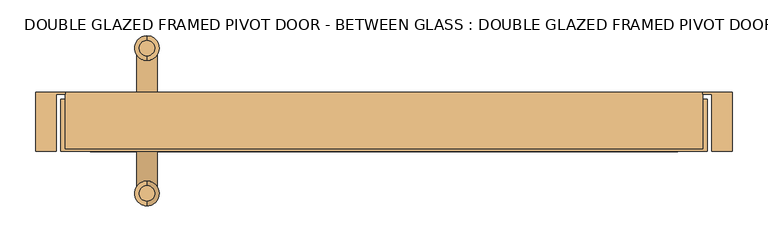
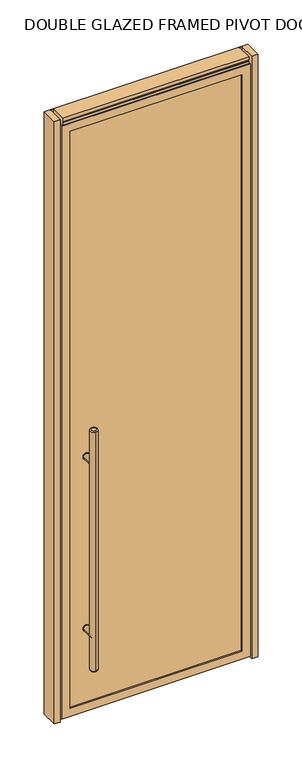
"""IFC4 building model written with IfcOpenShell, lengths in millimetres: door geometry, DOUBLE GLAZED FRAMED PIVOT DOOR - BETWEEN GLASS : DOUBLE GLAZED FRAMED PIVOT DOOR - BETWEEN GLASS."""

from ifc_helpers import new_model, si_unit, point, frame, frame_2d, origin, origin_with_axes, place, context, project, spatial, polyline, circle_curve, ellipse_curve, trimmed, segment, composite_curve, outline, extrude, faceted_brep, source, transform, mapped, element, save
from ifc_brep_helpers import plane_surface, cylinder_surface, revolved_surface, advanced_brep


def double_glazed_framed_pivot_door_between_glass_double_glazed_25d5e734(model_context):
    return source(origin(), model_context, "Body", "SolidModel", [
        extrude(outline(composite_curve([segment(trimmed(circle_curve(frame_2d((428.625, -331.7875)), 15.875), [point((428.625, -347.6625))], [point((428.625, -315.9125))], False, "CARTESIAN"), True, "CONTINUOUS"), segment(trimmed(circle_curve(frame_2d((428.625, -331.7875)), 15.875), [point((428.625, -315.9125))], [point((428.625, -347.6625))], False, "CARTESIAN"), True, "CONTINUOUS")], self_intersect=False)), frame((0.0, 6.35, 0.0), z_axis=(0.0, 1.0, 0.0), x_axis=(0.0, 0.0, 1.0)), (0.0, 0.0, 1.0), 3.175),
        extrude(outline(composite_curve([segment(trimmed(circle_curve(frame_2d((1298.575, -331.7875)), 15.875), [point((1298.575, -315.9125))], [point((1298.575, -347.6625))], False, "CARTESIAN"), True, "CONTINUOUS"), segment(trimmed(circle_curve(frame_2d((1298.575, -331.7875)), 15.875), [point((1298.575, -347.6625))], [point((1298.575, -315.9125))], False, "CARTESIAN"), True, "CONTINUOUS")], self_intersect=False)), frame((0.0, 6.35, 0.0), z_axis=(0.0, 1.0, 0.0), x_axis=(0.0, 0.0, 1.0)), (0.0, 0.0, 1.0), 3.175),
        extrude(outline(composite_curve([segment(trimmed(circle_curve(frame_2d((428.625, -331.7875)), 15.875), [point((428.625, -347.6625))], [point((428.625, -315.9125))], False, "CARTESIAN"), True, "CONTINUOUS"), segment(trimmed(circle_curve(frame_2d((428.625, -331.7875)), 15.875), [point((428.625, -315.9125))], [point((428.625, -347.6625))], False, "CARTESIAN"), True, "CONTINUOUS")], self_intersect=False)), frame((0.0, -69.85, 0.0), z_axis=(0.0, 1.0, 0.0), x_axis=(0.0, 0.0, 1.0)), (0.0, 0.0, 1.0), 3.175),
        extrude(outline(composite_curve([segment(trimmed(circle_curve(frame_2d((1298.575, -331.7875)), 15.875), [point((1298.575, -347.6625))], [point((1298.575, -315.9125))], False, "CARTESIAN"), True, "CONTINUOUS"), segment(trimmed(circle_curve(frame_2d((1298.575, -331.7875)), 15.875), [point((1298.575, -315.9125))], [point((1298.575, -347.6625))], False, "CARTESIAN"), True, "CONTINUOUS")], self_intersect=False)), frame((0.0, -69.85, 0.0), z_axis=(0.0, 1.0, 0.0), x_axis=(0.0, 0.0, 1.0)), (0.0, 0.0, 1.0), 3.175),
        extrude(outline(composite_curve([segment(trimmed(circle_curve(frame_2d((428.625, -331.7875)), 14.2875), [point((428.625, -317.5))], [point((428.625, -346.075))], False, "CARTESIAN"), True, "CONTINUOUS"), segment(trimmed(circle_curve(frame_2d((428.625, -331.7875)), 14.2875), [point((428.625, -346.075))], [point((428.625, -317.5))], False, "CARTESIAN"), True, "CONTINUOUS")], self_intersect=False)), frame((0.0, -131.7625, 0.0), z_axis=(0.0, 1.0, 0.0), x_axis=(0.0, 0.0, 1.0)), (0.0, 0.0, 1.0), 65.0875),
        extrude(outline(composite_curve([segment(trimmed(circle_curve(frame_2d((1298.575, -331.7875)), 14.2875), [point((1298.575, -317.5))], [point((1298.575, -346.075))], False, "CARTESIAN"), True, "CONTINUOUS"), segment(trimmed(circle_curve(frame_2d((1298.575, -331.7875)), 14.2875), [point((1298.575, -346.075))], [point((1298.575, -317.5))], False, "CARTESIAN"), True, "CONTINUOUS")], self_intersect=False)), frame((0.0, -131.7625, 0.0), z_axis=(0.0, 1.0, 0.0), x_axis=(0.0, 0.0, 1.0)), (0.0, 0.0, 1.0), 65.0875),
        advanced_brep(
        [(-331.7875, 60.6425, 1473.2), (-331.7875, 82.2325, 1473.2), (-331.7875, 82.2325, 254.0), (-331.7875, 60.6425, 254.0), (-331.7875, 88.5825, 260.35), (-331.7875, 88.5825, 1466.85), (-331.7875, 54.2925, 1466.85), (-331.7875, 54.2925, 260.35)],
        [
            (0, 1, circle_curve(frame((-331.7875, 71.4375, 1473.2), z_axis=(0.0, 0.0, 1.0), x_axis=(0.0, -1.0, 0.0)), 10.795)),
            (1, 0, circle_curve(frame((-331.7875, 71.4375, 1473.2), z_axis=(0.0, 0.0, 1.0), x_axis=(0.0, -1.0, 0.0)), 10.795)),
            (2, 3, circle_curve(frame((-331.7875, 71.4375, 254.0), z_axis=(0.0, 0.0, -1.0), x_axis=(0.0, -1.0, 0.0)), 10.795)),
            (3, 2, circle_curve(frame((-331.7875, 71.4375, 254.0), z_axis=(0.0, 0.0, -1.0), x_axis=(0.0, -1.0, 0.0)), 10.795)),
            (4, 5),
            (5, 6, circle_curve(frame((-331.7875, 71.4375, 1466.85), z_axis=(0.0, 0.0, -1.0), x_axis=(0.0, -1.0, 0.0)), 17.145)),
            (6, 7),
            (7, 4, circle_curve(frame((-331.7875, 71.4375, 260.35), z_axis=(0.0, 0.0, 1.0), x_axis=(0.0, -1.0, 0.0)), 17.145)),
            (6, 5, circle_curve(frame((-331.7875, 71.4375, 1466.85), z_axis=(0.0, 0.0, -1.0), x_axis=(0.0, -1.0, 0.0)), 17.145)),
            (4, 7, circle_curve(frame((-331.7875, 71.4375, 260.35), z_axis=(0.0, 0.0, 1.0), x_axis=(0.0, -1.0, 0.0)), 17.145)),
            (3, 7, circle_curve(frame((-331.7875, 60.6425, 260.35), z_axis=(-1.0, 0.0, 0.0), x_axis=(0.0, -1.0, 0.0)), 6.35)),
            (4, 2, circle_curve(frame((-331.7875, 82.2325, 260.35), z_axis=(-1.0, 0.0, 0.0), x_axis=(0.0, 1.0, 0.0)), 6.35)),
            (6, 0, circle_curve(frame((-331.7875, 60.6425, 1466.85), z_axis=(-1.0, 0.0, 0.0), x_axis=(0.0, -1.0, 0.0)), 6.35)),
            (1, 5, circle_curve(frame((-331.7875, 82.2325, 1466.85), z_axis=(-1.0, 0.0, 0.0), x_axis=(0.0, 1.0, 0.0)), 6.35)),
        ],
        [
            plane_surface(frame((-331.7875, -148.9075, 1473.2), z_axis=(0.0, 0.0, 1.0), x_axis=(-1.0, 0.0, 0.0))),
            plane_surface(frame((-331.7875, -148.9075, 254.0), z_axis=(0.0, 0.0, -1.0), x_axis=(1.0, 0.0, 0.0))),
            cylinder_surface(frame((-331.7875, 71.4375, 254.0), z_axis=(0.0, 0.0, 1.0), x_axis=(0.0, -1.0, 0.0)), 17.145),
            revolved_surface(trimmed(ellipse_curve(frame((-331.7875, 60.6425, 260.35), z_axis=(-1.0, 0.0, 0.0), x_axis=(0.0, -1.0, 0.0)), 6.35, 6.35), [point((-331.7875, 60.6425, 254.0))], [point((-331.7875, 54.2925, 260.35))], True, "CARTESIAN"), (-331.7875, 71.4375, 2082.8), (0.0, 0.0, 1.0)),
            revolved_surface(trimmed(ellipse_curve(frame((-331.7875, 60.6425, 1466.85), z_axis=(-1.0, 0.0, 0.0), x_axis=(0.0, -1.0, 0.0)), 6.35, 6.35), [point((-331.7875, 54.2925, 1466.85))], [point((-331.7875, 60.6425, 1473.2))], True, "CARTESIAN"), (-331.7875, 71.4375, -355.6), (0.0, 0.0, 1.0)),
        ],
        [
            (0, [[1, 2]]),
            (1, [[3, 4]]),
            (2, [[5, 6, 7, 8]]),
            (2, [[-7, 9, -5, 10]]),
            (3, [[-4, 11, -10, 12]]),
            (3, [[-8, -11, -3, -12]]),
            (4, [[-9, 13, -2, 14]]),
            (4, [[-1, -13, -6, -14]]),
        ],
    ),
        advanced_brep(
        [(-331.7875, -142.5575, 1473.2), (-331.7875, -120.9675, 1473.2), (-331.7875, -120.9675, 254.0), (-331.7875, -142.5575, 254.0), (-331.7875, -114.6175, 260.35), (-331.7875, -114.6175, 1466.85), (-331.7875, -148.9075, 1466.85), (-331.7875, -148.9075, 260.35)],
        [
            (0, 1, circle_curve(frame((-331.7875, -131.7625, 1473.2), z_axis=(0.0, 0.0, 1.0), x_axis=(0.0, 1.0, 0.0)), 10.795)),
            (1, 0, circle_curve(frame((-331.7875, -131.7625, 1473.2), z_axis=(0.0, 0.0, 1.0), x_axis=(0.0, 1.0, 0.0)), 10.795)),
            (2, 3, circle_curve(frame((-331.7875, -131.7625, 254.0), z_axis=(0.0, 0.0, -1.0), x_axis=(0.0, 1.0, 0.0)), 10.795)),
            (3, 2, circle_curve(frame((-331.7875, -131.7625, 254.0), z_axis=(0.0, 0.0, -1.0), x_axis=(0.0, 1.0, 0.0)), 10.795)),
            (4, 5),
            (5, 6, circle_curve(frame((-331.7875, -131.7625, 1466.85), z_axis=(0.0, 0.0, -1.0), x_axis=(0.0, -1.0, 0.0)), 17.145)),
            (6, 7),
            (7, 4, circle_curve(frame((-331.7875, -131.7625, 260.35), z_axis=(0.0, 0.0, 1.0), x_axis=(0.0, -1.0, 0.0)), 17.145)),
            (6, 5, circle_curve(frame((-331.7875, -131.7625, 1466.85), z_axis=(0.0, 0.0, -1.0), x_axis=(0.0, -1.0, 0.0)), 17.145)),
            (4, 7, circle_curve(frame((-331.7875, -131.7625, 260.35), z_axis=(0.0, 0.0, 1.0), x_axis=(0.0, -1.0, 0.0)), 17.145)),
            (4, 2, circle_curve(frame((-331.7875, -120.9675, 260.35), z_axis=(-1.0, 0.0, 0.0), x_axis=(0.0, 1.0, 0.0)), 6.35)),
            (3, 7, circle_curve(frame((-331.7875, -142.5575, 260.35), z_axis=(-1.0, 0.0, 0.0), x_axis=(0.0, -1.0, 0.0)), 6.35)),
            (1, 5, circle_curve(frame((-331.7875, -120.9675, 1466.85), z_axis=(-1.0, 0.0, 0.0), x_axis=(0.0, 1.0, 0.0)), 6.35)),
            (6, 0, circle_curve(frame((-331.7875, -142.5575, 1466.85), z_axis=(-1.0, 0.0, 0.0), x_axis=(0.0, -1.0, 0.0)), 6.35)),
        ],
        [
            plane_surface(frame((-331.7875, -148.9075, 1473.2), z_axis=(0.0, 0.0, 1.0), x_axis=(-1.0, 0.0, 0.0))),
            plane_surface(frame((-331.7875, -148.9075, 254.0), z_axis=(0.0, 0.0, -1.0), x_axis=(1.0, 0.0, 0.0))),
            cylinder_surface(frame((-331.7875, -131.7625, 254.0), z_axis=(0.0, 0.0, 1.0), x_axis=(0.0, -1.0, 0.0)), 17.145),
            revolved_surface(trimmed(ellipse_curve(frame((-331.7875, -120.9675, 260.35), z_axis=(-1.0, 0.0, 0.0), x_axis=(0.0, 1.0, 0.0)), 6.35, 6.35), [point((-331.7875, -114.6175, 260.35))], [point((-331.7875, -120.9675, 254.0))], True, "CARTESIAN"), (-331.7875, -131.7625, 2082.8), (0.0, 0.0, -1.0)),
            revolved_surface(trimmed(ellipse_curve(frame((-331.7875, -120.9675, 1466.85), z_axis=(-1.0, 0.0, 0.0), x_axis=(0.0, 1.0, 0.0)), 6.35, 6.35), [point((-331.7875, -120.9675, 1473.2))], [point((-331.7875, -114.6175, 1466.85))], True, "CARTESIAN"), (-331.7875, -131.7625, -355.6), (0.0, 0.0, -1.0)),
        ],
        [
            (0, [[1, 2]]),
            (1, [[3, 4]]),
            (2, [[5, 6, 7, 8]]),
            (2, [[-7, 9, -5, 10]]),
            (3, [[-10, 11, -4, 12]]),
            (3, [[-3, -11, -8, -12]]),
            (4, [[-2, 13, -9, 14]]),
            (4, [[-6, -13, -1, -14]]),
        ],
    ),
        extrude(outline(composite_curve([segment(trimmed(circle_curve(frame_2d((428.625, -331.7875)), 14.2875), [point((428.625, -317.5))], [point((428.625, -346.075))], False, "CARTESIAN"), True, "CONTINUOUS"), segment(trimmed(circle_curve(frame_2d((428.625, -331.7875)), 14.2875), [point((428.625, -346.075))], [point((428.625, -317.5))], False, "CARTESIAN"), True, "CONTINUOUS")], self_intersect=False)), frame((0.0, 6.35, 0.0), z_axis=(0.0, 1.0, 0.0), x_axis=(0.0, 0.0, 1.0)), (0.0, 0.0, 1.0), 65.0875),
        extrude(outline(composite_curve([segment(trimmed(circle_curve(frame_2d((1298.575, -331.7875)), 14.2875), [point((1298.575, -317.5))], [point((1298.575, -346.075))], False, "CARTESIAN"), True, "CONTINUOUS"), segment(trimmed(circle_curve(frame_2d((1298.575, -331.7875)), 14.2875), [point((1298.575, -346.075))], [point((1298.575, -317.5))], False, "CARTESIAN"), True, "CONTINUOUS")], self_intersect=False)), frame((0.0, 6.35, 0.0), z_axis=(0.0, 1.0, 0.0), x_axis=(0.0, 0.0, 1.0)), (0.0, 0.0, 1.0), 65.0875),
        extrude(outline(polyline([(-411.1625, -66.675), (-411.1625, -53.975), (411.1625, -53.975), (411.1625, -66.675), (-411.1625, -66.675)])), frame((0.0, 0.0, 53.975), z_axis=(0.0, 0.0, 1.0), x_axis=(1.0, 0.0, 0.0)), (0.0, 0.0, 1.0), 2917.825),
        faceted_brep([(411.1625, 0.0, 2971.8), (411.1625, 0.0, 53.975), (411.1625, -73.025, 53.975), (411.1625, -73.025, 2971.8), (-411.1625, 0.0, 53.975), (-411.1625, -73.025, 53.975), (-452.4375, -73.025, 12.7), (452.4375, -73.025, 12.7), (452.4375, -73.025, 3013.075), (-452.4375, -73.025, 3013.075), (-411.1625, -73.025, 2971.8), (-411.1625, 0.0, 2971.8), (427.0375, 0.0, 38.1), (-427.0375, 0.0, 38.1), (-427.0375, 0.0, 2987.675), (427.0375, 0.0, 2987.675), (427.0375, 9.525, 2987.675), (427.0375, 9.525, 38.1), (-427.0375, 9.525, 38.1), (-427.0375, 9.525, 2987.675), (436.5625, 9.525, 28.575), (-436.5625, 9.525, 28.575), (-436.5625, 9.525, 2997.2), (436.5625, 9.525, 2997.2), (436.5625, 0.0, 2997.2), (436.5625, 0.0, 28.575), (-436.5625, 0.0, 28.575), (-436.5625, 0.0, 2997.2), (452.4375, 0.0, 12.7), (-452.4375, 0.0, 12.7), (-452.4375, 0.0, 3013.075), (452.4375, 0.0, 3013.075)], [[[0, 1, 2, 3]], [[1, 4, 5, 2]], [[6, 7, 8, 9], [2, 5, 10, 3]], [[4, 11, 10, 5]], [[12, 13, 14, 15], [4, 1, 0, 11]], [[16, 17, 12, 15]], [[17, 18, 13, 12]], [[18, 19, 14, 13]], [[20, 21, 22, 23], [18, 17, 16, 19]], [[24, 25, 20, 23]], [[25, 26, 21, 20]], [[26, 27, 22, 21]], [[28, 29, 30, 31], [26, 25, 24, 27]], [[8, 7, 28, 31]], [[7, 6, 29, 28]], [[6, 9, 30, 29]], [[11, 0, 3, 10]], [[19, 16, 15, 14]], [[27, 24, 23, 22]], [[9, 8, 31, 30]]]),
        extrude(outline(polyline([(487.3625, -73.025), (458.7875, -73.025), (458.7875, 6.35), (446.0875, 6.35), (446.0875, 9.525), (487.3625, 9.525), (487.3625, -73.025)])), origin_with_axes(), (0.0, 0.0, 1.0), 3048.0),
        extrude(outline(polyline([(-487.3625, -73.025), (-487.3625, 9.525), (-446.0875, 9.525), (-446.0875, 6.35), (-458.7875, 6.35), (-458.7875, -73.025), (-487.3625, -73.025)])), origin_with_axes(), (0.0, 0.0, 1.0), 3048.0),
        extrude(outline(polyline([(411.1625, 6.35), (411.1625, -6.35), (-411.1625, -6.35), (-411.1625, 6.35), (411.1625, 6.35)])), frame((0.0, 0.0, 38.1), z_axis=(0.0, 0.0, 1.0), x_axis=(1.0, 0.0, 0.0)), (0.0, 0.0, 1.0), 2933.7),
        extrude(outline(polyline([(-69.85, 3003.55), (-69.85, 3025.775), (-66.675, 3025.775), (-66.675, 3032.125), (-69.85, 3032.125), (-69.85, 3048.0), (9.525, 3048.0), (9.525, 3032.125), (6.35, 3032.125), (6.35, 3025.775), (9.525, 3025.775), (9.525, 2989.5601562), (6.35, 2989.5601562), (6.35, 3003.55), (-69.85, 3003.55)])), frame((-446.0875, 0.0, 0.0), z_axis=(1.0, 0.0, 0.0), x_axis=(0.0, 1.0, 0.0)), (0.0, 0.0, 1.0), 892.175),
    ])


if __name__ == "__main__":
    model = new_model("IFC4")
    model_context = context("Model", 3, world=origin())
    ifc_project = project(units=[si_unit("LENGTHUNIT", "METRE", prefix="MILLI")], contexts=[model_context])
    site = spatial("IfcSite", under=ifc_project)
    building = spatial("IfcBuilding", under=site)
    placement = place(None, origin())
    double_glazed_framed_pivot_door_between_glass_double_glazed_shape = double_glazed_framed_pivot_door_between_glass_double_glazed_25d5e734(model_context)
    element("IfcDoor", 1, ObjectType="DOUBLE GLAZED FRAMED PIVOT DOOR - BETWEEN GLASS : DOUBLE GLAZED FRAMED PIVOT DOOR - BETWEEN GLASS", at=placement, inside=building, context=model_context, shape_type="MappedRepresentation", body=[
        mapped(double_glazed_framed_pivot_door_between_glass_double_glazed_shape, transform((0.0, 0.0, 0.0), x_axis=(1.0, 0.0, 0.0), y_axis=(0.0, 1.0, 0.0), z_axis=(0.0, 0.0, 1.0))),
    ])
    save(model, "model.ifc")
